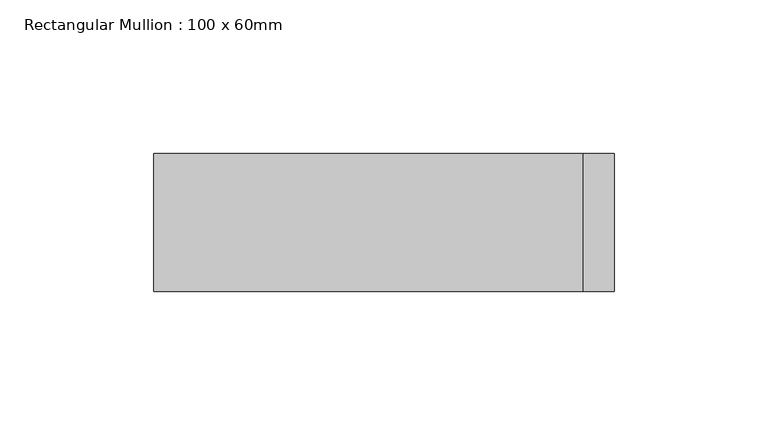
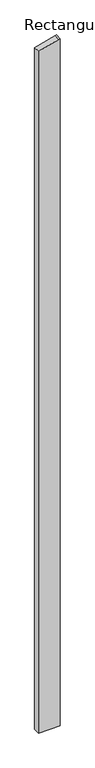
"""IFC4 building model written with IfcOpenShell, lengths in millimetres: member geometry, Rectangular Mullion : 100 x 60mm."""

from ifc_helpers import new_model, si_unit, frame, origin, place, context, project, spatial, polyline, outline, extrude, source, transform, mapped, element, save


def rectangular_mullion_100_x_60mm_4dede4ca(model_context):
    return source(origin(), model_context, "Body", "SweptSolid", [
        extrude(outline(polyline([(-238.7228557, 75.0), (-241.4814566, 64.7047613), (-278.9152345, -75.0), (-5256.0718257, -75.0), (-5256.0718257, 75.0), (-238.7228557, 75.0)])), frame((0.0, -15.0, 0.0), z_axis=(0.0, 1.0, 0.0), x_axis=(0.0, 0.0, 1.0)), (0.0, 0.0, 1.0), 45.0),
    ])


if __name__ == "__main__":
    model = new_model("IFC4")
    model_context = context("Model", 3, world=origin())
    ifc_project = project(units=[si_unit("LENGTHUNIT", "METRE", prefix="MILLI")], contexts=[model_context])
    site = spatial("IfcSite", under=ifc_project)
    building = spatial("IfcBuilding", under=site)
    placement = place(None, origin())
    rectangular_mullion_100_x_60mm_shape = rectangular_mullion_100_x_60mm_4dede4ca(model_context)
    element("IfcMember", 1, ObjectType="Rectangular Mullion : 100 x 60mm", at=placement, inside=building, context=model_context, shape_type="MappedRepresentation", body=[
        mapped(rectangular_mullion_100_x_60mm_shape, transform((0.0, 0.0, 0.0), x_axis=(1.0, 0.0, 0.0), y_axis=(0.0, 1.0, 0.0), z_axis=(0.0, 0.0, 1.0))),
    ])
    save(model, "model.ifc")
